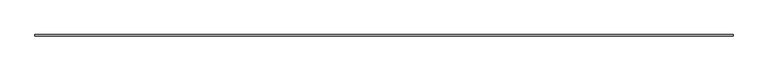
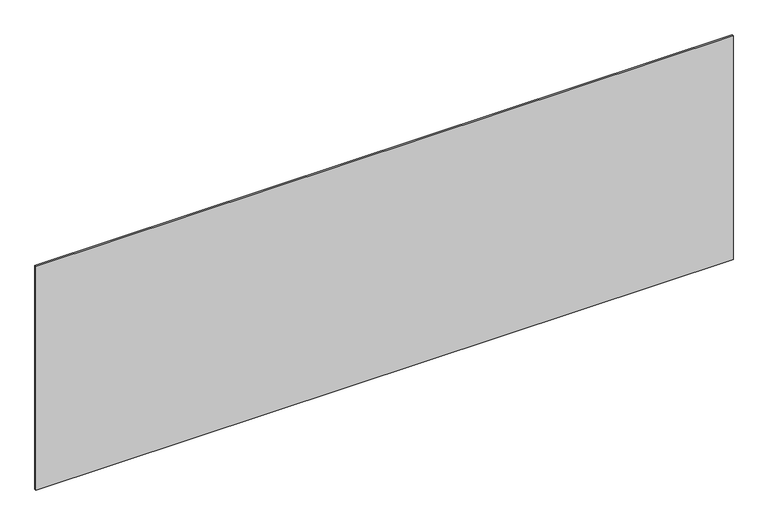
"""IFC4 building model written with IfcOpenShell, lengths in millimetres: plate geometry."""

from ifc_helpers import new_model, si_unit, frame, origin, place, context, project, spatial, polyline, outline, extrude, source, transform, mapped, element, save


def plate_3a21bd67(model_context):
    return source(origin(), model_context, "Body", "SweptSolid", [
        extrude(outline(polyline([(0.0, -2281.6666667), (0.0, 2281.6666667), (1548.9812503, 2281.6666667), (1548.9812503, -2281.6666667), (1536.0563962, -2281.6666667), (0.0, -2281.6666667)])), frame((0.0, -5.0, 0.0), z_axis=(0.0, 1.0, 0.0), x_axis=(0.0, 0.0, 1.0)), (0.0, 0.0, 1.0), 10.0),
    ])


if __name__ == "__main__":
    model = new_model("IFC4")
    model_context = context("Model", 3, world=origin())
    ifc_project = project(units=[si_unit("LENGTHUNIT", "METRE", prefix="MILLI")], contexts=[model_context])
    site = spatial("IfcSite", under=ifc_project)
    building = spatial("IfcBuilding", under=site)
    placement = place(None, origin())
    plate_shape = plate_3a21bd67(model_context)
    element("IfcPlate", 1, at=placement, inside=building, context=model_context, shape_type="MappedRepresentation", body=[
        mapped(plate_shape, transform((0.0, 0.0, 0.0), x_axis=(1.0, 0.0, 0.0), y_axis=(0.0, 1.0, 0.0), z_axis=(0.0, 0.0, 1.0))),
    ])
    save(model, "model.ifc")
